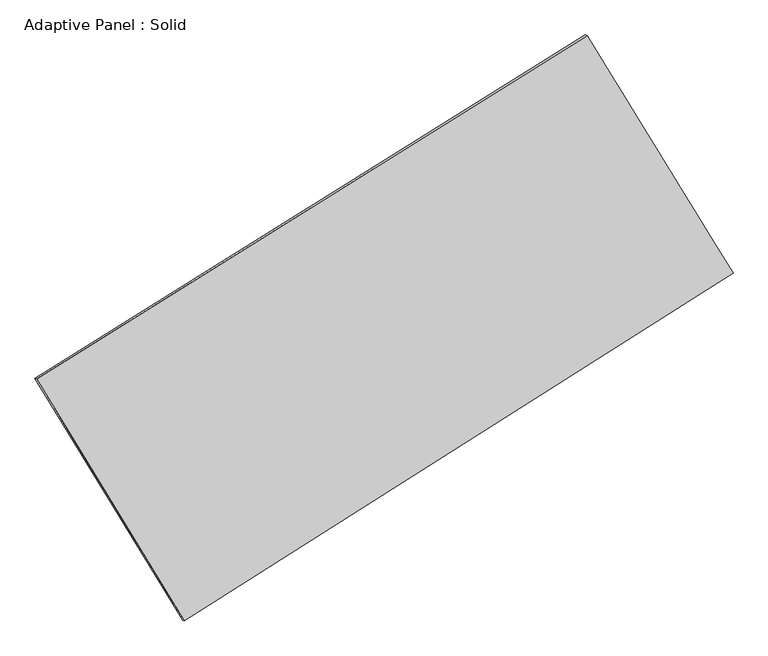
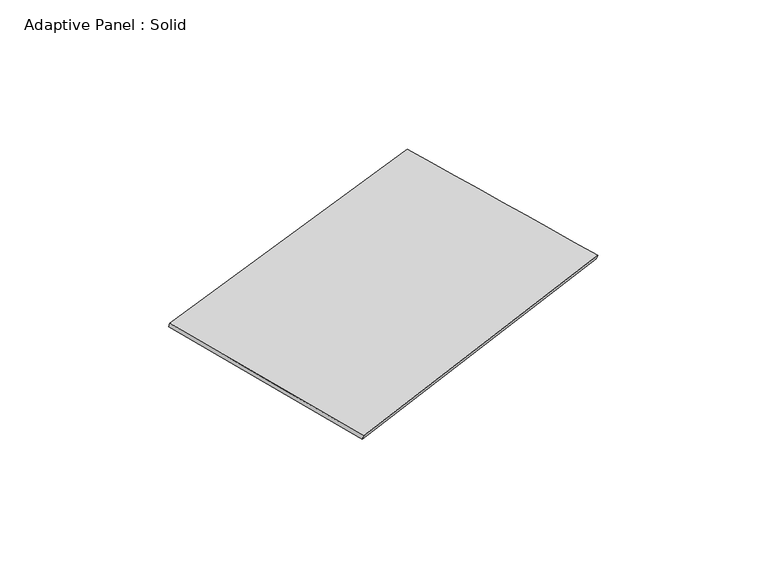
"""IFC4 building model written with IfcOpenShell, lengths in millimetres: plate geometry, Adaptive Panel : Solid."""

import ifcopenshell
import ifcopenshell.guid

model = None  # the IFC model being written
_history = None  # IfcOwnerHistory: only IFC2X3 demands one
_inside = {}  # id of a spatial element -> (the spatial element, [elements in it])
_under = {}  # id of a project, library or spatial element -> (it, [spatial elements below it])
_declared = {}  # id of a project -> (the project, [libraries it declares])
_typed = {}  # id of a type object -> (the type object, [elements of that type])
_made_of = {}  # id of a material, layer set ... -> (it, [elements and type objects made of it])


def new_model(schema):
    """Start an empty IFC model of exactly this schema.

    Asked for "IFC4X3", IfcOpenShell would pick the latest addendum, in which some entities
    have other attributes; the version numbers below select the first issue.
    IFC2X3 requires an IfcOwnerHistory on every rooted entity: one is made here for all.
    """
    global model, _history
    if schema == "IFC4X3":
        model = ifcopenshell.file(schema_version=(4, 3, 0, 0))
    else:
        model = ifcopenshell.file(schema=schema)
    _inside.clear()
    _under.clear()
    _declared.clear()
    _typed.clear()
    _made_of.clear()
    _history = None
    if model.schema == "IFC2X3":
        org = make("IfcOrganization", Name="unknown")
        user = make(
            "IfcPersonAndOrganization",
            ThePerson=make("IfcPerson", FamilyName="unknown"),
            TheOrganization=org,
        )
        app = make(
            "IfcApplication",
            ApplicationDeveloper=org,
            Version="unknown",
            ApplicationFullName="unknown",
            ApplicationIdentifier="unknown",
        )
        _history = make(
            "IfcOwnerHistory",
            OwningUser=user,
            OwningApplication=app,
            ChangeAction="ADDED",
            CreationDate=0,
        )
    return model


def make(cls, **values):
    """One entity of the class cls with the attributes given. An attribute that is None is left unset."""
    return model.create_entity(
        cls, **{name: value for name, value in values.items() if value is not None}
    )


def rooted(cls, **values):
    """An entity with a GlobalId (a new one), such as an element, a storey or a relation."""
    return make(cls, GlobalId=ifcopenshell.guid.new(), OwnerHistory=_history, **values)


def si_unit(unit_type, name, prefix=None):
    """IfcSIUnit, for example si_unit("LENGTHUNIT", "METRE", prefix="MILLI")."""
    return make("IfcSIUnit", UnitType=unit_type, Prefix=prefix, Name=name)


def assignment(units):
    """IfcUnitAssignment: the units of a project."""
    return None if units is None else make("IfcUnitAssignment", Units=units)


def point(xyz):
    """IfcCartesianPoint."""
    return None if xyz is None else make("IfcCartesianPoint", Coordinates=xyz)


def direction(xyz):
    """IfcDirection."""
    return None if xyz is None else make("IfcDirection", DirectionRatios=xyz)


def frame(location, z_axis=None, x_axis=None):
    """IfcAxis2Placement3D, a coordinate frame: its origin and axes. An axis left out is left unset."""
    return make(
        "IfcAxis2Placement3D",
        Location=point(location),
        Axis=direction(z_axis),
        RefDirection=direction(x_axis),
    )


def origin():
    """The frame at (0, 0, 0) with its axes left unset."""
    return frame((0.0, 0.0, 0.0))


def place(relative_to, where):
    """IfcLocalPlacement: puts the frame where relative to a parent placement (None: the world)."""
    return make(
        "IfcLocalPlacement", PlacementRelTo=relative_to, RelativePlacement=where
    )


def context(
    kind, dimensions, precision=None, world=None, true_north=None, identifier=None
):
    """IfcGeometricRepresentationContext, for example the 3D "Model" context."""
    return make(
        "IfcGeometricRepresentationContext",
        ContextIdentifier=identifier,
        ContextType=kind,
        CoordinateSpaceDimension=dimensions,
        Precision=precision,
        WorldCoordinateSystem=world,
        TrueNorth=true_north,
    )


def project(units=None, contexts=None):
    """IfcProject with its units and contexts."""
    return rooted(
        "IfcProject",
        Name="project",
        RepresentationContexts=contexts,
        UnitsInContext=assignment(units),
    )


def spatial(cls, under=None, at=None, **own):
    """A site, building, storey or space (cls), placed at a placement, below another one or the project."""
    s = rooted(cls, ObjectPlacement=at, **own)
    if under is not None:
        _under.setdefault(under.id(), (under, []))[1].append(s)
    return s


def shape(context_of_items, identifier, shape_type, items):
    """IfcShapeRepresentation: the items that make up one representation, for example the "Body"."""
    return make(
        "IfcShapeRepresentation",
        ContextOfItems=context_of_items,
        RepresentationIdentifier=identifier,
        RepresentationType=shape_type,
        Items=items,
    )


def source(mapping_origin, context_of_items, identifier, shape_type, items):
    """IfcRepresentationMap: a shape defined once, which mapped items show again and again."""
    return make(
        "IfcRepresentationMap",
        MappingOrigin=mapping_origin,
        MappedRepresentation=shape(context_of_items, identifier, shape_type, items),
    )


def transform(
    local_origin,
    x_axis=None,
    y_axis=None,
    z_axis=None,
    scale=None,
    scale2=None,
    scale3=None,
    uniform=True,
):
    """IfcCartesianTransformationOperator3D, or its non-uniform kind. x_axis, y_axis, z_axis: its Axis1, 2, 3."""
    if uniform:
        return make(
            "IfcCartesianTransformationOperator3D",
            Axis1=direction(x_axis),
            Axis2=direction(y_axis),
            LocalOrigin=point(local_origin),
            Scale=scale,
            Axis3=direction(z_axis),
        )
    return make(
        "IfcCartesianTransformationOperator3DnonUniform",
        Axis1=direction(x_axis),
        Axis2=direction(y_axis),
        LocalOrigin=point(local_origin),
        Scale=scale,
        Axis3=direction(z_axis),
        Scale2=scale2,
        Scale3=scale3,
    )


def mapped(mapping_source, mapping_target):
    """IfcMappedItem: shows the shape of a source again, moved by a transform."""
    return make(
        "IfcMappedItem", MappingSource=mapping_source, MappingTarget=mapping_target
    )


def made_of(thing, what):
    """Note that an element or type object is made of a material, layer set ...; save() writes the relation."""
    if what is not None:
        _made_of.setdefault(what.id(), (what, []))[1].append(thing)
    return thing


def element(
    cls,
    number,
    at=None,
    inside=None,
    cuts=None,
    type_object=None,
    material=None,
    context=None,
    identifier="Body",
    shape_type=None,
    held_by="IfcProductDefinitionShape",
    body=None,
    shapes=None,
    **own,
):
    """One element of the class cls, such as IfcWall. Its Tag is "e" and its number.

    at: its placement. inside: the storey or other place that contains it. cuts: it is an
    opening in that element (IfcRelVoidsElement). A single representation is given by context,
    identifier, shape_type and body (its items); several are given by shapes. held_by: the class
    of the entity that holds the representations. save() writes the other relations.
    """
    e = rooted(cls, Tag="e%d" % number, ObjectPlacement=at, **own)
    if body is not None:
        shapes = [shape(context, identifier, shape_type, body)]
    if shapes is not None:
        e.Representation = make(held_by, Representations=shapes)
    if inside is not None:
        _inside.setdefault(inside.id(), (inside, []))[1].append(e)
    if cuts is not None:
        rooted(
            "IfcRelVoidsElement", RelatingBuildingElement=cuts, RelatedOpeningElement=e
        )
    if type_object is not None:
        _typed.setdefault(type_object.id(), (type_object, []))[1].append(e)
    return made_of(e, material)


def aggregate(whole, parts):
    """IfcRelAggregates: a whole, such as a stair, and the parts it consists of."""
    return rooted("IfcRelAggregates", RelatingObject=whole, RelatedObjects=parts)


def save(model, path):
    """Write the relations noted so far, then the file.

    IfcRelAggregates (storeys below a building ...), IfcRelContainedInSpatialStructure (elements
    in a storey), IfcRelDefinesByType, IfcRelAssociatesMaterial and IfcRelDeclares: one each for
    every whole, place, type object, material and project.
    """
    for whole, parts in _under.values():
        aggregate(whole, parts)
    for where, things in _inside.values():
        rooted(
            "IfcRelContainedInSpatialStructure",
            RelatedElements=things,
            RelatingStructure=where,
        )
    for kind, things in _typed.values():
        rooted("IfcRelDefinesByType", RelatedObjects=things, RelatingType=kind)
    for what, things in _made_of.values():
        rooted("IfcRelAssociatesMaterial", RelatedObjects=things, RelatingMaterial=what)
    for by, libraries in _declared.values():
        rooted("IfcRelDeclares", RelatingContext=by, RelatedDefinitions=libraries)
    model.write(path)


def plane_surface(at):
    """IfcPlane: the flat surface through the origin of the frame at, square to its z axis."""
    return make("IfcPlane", Position=at)


def spline_surface(u_degree, v_degree, points, u_multiplicities, v_multiplicities, u_knots, v_knots, weights=None):
    """IfcBSplineSurfaceWithKnots; with weights, IfcRationalBSplineSurfaceWithKnots. points: one row for each step in u."""
    own = dict(
        UDegree=u_degree,
        VDegree=v_degree,
        ControlPointsList=[[point(p) for p in row] for row in points],
        SurfaceForm="UNSPECIFIED",
        UClosed=False,
        VClosed=False,
        SelfIntersect=False,
        UMultiplicities=u_multiplicities,
        VMultiplicities=v_multiplicities,
        UKnots=u_knots,
        VKnots=v_knots,
        KnotSpec="UNSPECIFIED",
    )
    if weights is None:
        return make("IfcBSplineSurfaceWithKnots", **own)
    return make("IfcRationalBSplineSurfaceWithKnots", WeightsData=weights, **own)


def advanced_brep(points, edges, surfaces, faces):
    """IfcAdvancedBrep: a solid bounded by faces that lie on surfaces and meet in shared edges.

    An edge is (start, end): straight between two places in points (the first is 0);
    or (start, end, curve); or (start, end, curve, False) where it runs against its curve.
    A face is (place in surfaces, loops), or (place, loops, False) where it looks against
    its surface's normal. A loop lists edges by number (the first is 1), with a minus sign
    where the edge is run from its end to its start. The first loop is the outer one.
    """
    corners = [point(p) for p in points]
    vertices = [make("IfcVertexPoint", VertexGeometry=c) for c in corners]
    made = []
    for start, end, *more in edges:
        made.append(
            make(
                "IfcEdgeCurve",
                EdgeStart=vertices[start],
                EdgeEnd=vertices[end],
                EdgeGeometry=more[0] if more else make("IfcPolyline", Points=[corners[start], corners[end]]),
                SameSense=more[1] if len(more) > 1 else True,
            )
        )
    hull = []
    for where, loops, *sense in faces:
        bounds = []
        for j, loop in enumerate(loops):
            ring = [make("IfcOrientedEdge", EdgeElement=made[abs(k) - 1], Orientation=k > 0) for k in loop]
            bounds.append(
                make(
                    "IfcFaceOuterBound" if j == 0 else "IfcFaceBound",
                    Bound=make("IfcEdgeLoop", EdgeList=ring),
                    Orientation=True,
                )
            )
        hull.append(make("IfcAdvancedFace", Bounds=bounds, FaceSurface=surfaces[where], SameSense=sense[0] if sense else True))
    return make("IfcAdvancedBrep", Outer=make("IfcClosedShell", CfsFaces=hull))


def adaptive_panel_solid_2f10be36(model_context):
    return source(origin(), model_context, "Body", "AdvancedBrep", [
        advanced_brep(
        [(1149.6155471, 2503.1071478, 648.9505096), (-3760.9015129, -562.8782497, 1786.9855876), (-3746.235157, -569.2583432, 1834.3584956), (1164.2819029, 2496.7270543, 696.3234176), (-2443.7079383, -2722.2690571, 1058.0078453), (-2429.0415825, -2728.6491505, 1105.3807533), (2451.703326, 381.7915861, -8.8214222), (2466.3696818, 375.4114927, 38.5514858)],
        [
            (0, 1),
            (1, 2),
            (2, 3),
            (3, 0),
            (1, 4),
            (4, 5),
            (5, 2),
            (4, 6),
            (6, 7),
            (7, 5),
            (6, 0),
            (3, 7),
        ],
        [
            plane_surface(frame((-1305.6429829, 970.114449, 1217.9680486), z_axis=(-0.4677572477741884, 0.8451676494750184, 0.25864029352672263), x_axis=(-0.8323081457636068, -0.5196692303412177, 0.19289126867775344))),
            plane_surface(frame((-3102.3047256, -1642.5736534, 1422.4967164), z_axis=(-0.8126055288635974, -0.5553556568979138, 0.1767833386148146), x_axis=(0.5003829877691996, -0.8203216632905059, -0.27692821143297575))),
            plane_surface(frame((3.9976938, -1170.2387355, 524.5932115), z_axis=(0.4758919876286192, -0.8400491094649788, -0.2604694028057393), x_axis=(0.8305857450455777, 0.5266541221504382, -0.18100485007047215))),
            plane_surface(frame((1800.6594365, 1442.449367, 320.0645437), z_axis=(0.8133319862439944, 0.5541683187047921, -0.177168153730582), x_axis=(-0.5057623728788389, 0.8239702494976936, 0.25549452072926165))),
            spline_surface(1, 1, [[(-3746.235157, -569.2583432, 1834.3584956), (1164.2819029, 2496.7270543, 696.3234176)], [(-2429.0415825, -2728.6491505, 1105.3807533), (2466.3696818, 375.4114927, 38.5514858)]], [2, 2], [2, 2], [0.0, 1.0], [0.0, 1.0]),
            spline_surface(1, 1, [[(2451.703326, 381.7915861, -8.8214222), (1149.6155471, 2503.1071478, 648.9505096)], [(-2443.7079383, -2722.2690571, 1058.0078453), (-3760.9015129, -562.8782497, 1786.9855876)]], [2, 2], [2, 2], [0.0, 1.0], [0.0, 1.0]),
        ],
        [
            (0, [[1, 2, 3, 4]]),
            (1, [[5, 6, 7, -2]]),
            (2, [[8, 9, 10, -6]]),
            (3, [[11, -4, 12, -9]]),
            (4, [[-3, -7, -10, -12]]),
            (5, [[-11, -8, -5, -1]]),
        ],
    ),
    ])


if __name__ == "__main__":
    model = new_model("IFC4")
    model_context = context("Model", 3, world=origin())
    ifc_project = project(units=[si_unit("LENGTHUNIT", "METRE", prefix="MILLI")], contexts=[model_context])
    site = spatial("IfcSite", under=ifc_project)
    building = spatial("IfcBuilding", under=site)
    placement = place(None, origin())
    adaptive_panel_solid_shape = adaptive_panel_solid_2f10be36(model_context)
    element("IfcPlate", 1, ObjectType="Adaptive Panel : Solid", at=placement, inside=building, context=model_context, shape_type="MappedRepresentation", body=[
        mapped(adaptive_panel_solid_shape, transform((0.0, 0.0, 0.0), x_axis=(1.0, 0.0, 0.0), y_axis=(0.0, 1.0, 0.0), z_axis=(0.0, 0.0, 1.0))),
    ])
    save(model, "model.ifc")
